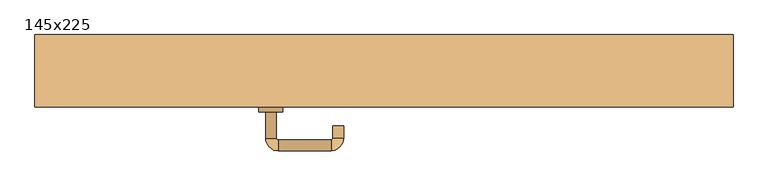
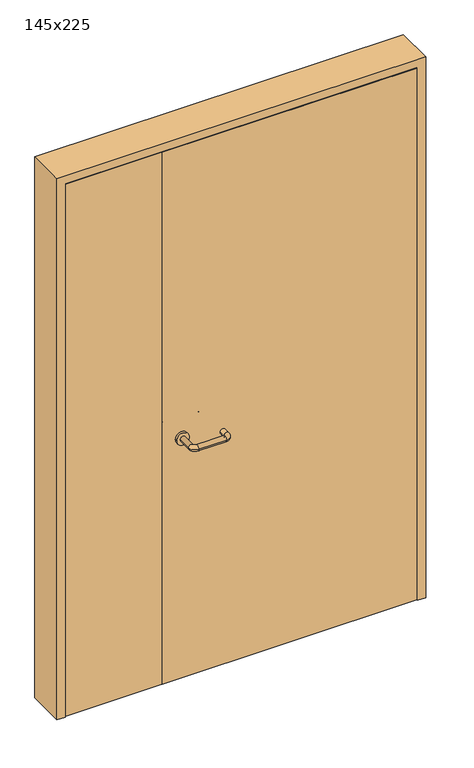
"""IFC4 building model written with IfcOpenShell, lengths in millimetres: door geometry, 145x225."""

from ifc_helpers import new_model, si_unit, point, frame, frame_2d, origin, place, context, project, spatial, polyline, circle_curve, ellipse_curve, trimmed, segment, composite_curve, outline, extrude, faceted_brep, source, transform, mapped, element, save
from ifc_brep_helpers import plane_surface, cylinder_surface, revolved_surface, advanced_brep


def door_145x225_84478bf9(model_context):
    return source(origin(), model_context, "Body", "SolidModel", [
        faceted_brep([(672.0, -50.0, 0.0), (693.0, -50.0, 0.0), (693.0, -153.0, 0.0), (672.0, -153.0, 0.0), (672.0, -153.0, 2197.0), (672.0, -50.0, 2197.0), (693.0, -153.0, 2218.0), (693.0, -50.0, 2218.0), (-672.0, -50.0, 0.0), (-672.0, -153.0, 0.0), (-693.0, -153.0, 0.0), (-693.0, -50.0, 0.0), (-672.0, -50.0, 2197.0), (-693.0, -50.0, 2218.0), (-693.0, -153.0, 2218.0), (-672.0, -153.0, 2197.0)], [[[0, 1, 2, 3]], [[3, 4, 5, 0]], [[2, 6, 4, 3]], [[1, 7, 6, 2]], [[0, 5, 7, 1]], [[8, 9, 10, 11]], [[12, 8, 11, 13]], [[13, 11, 10, 14]], [[14, 10, 9, 15]], [[15, 9, 8, 12]], [[4, 15, 12, 5]], [[6, 14, 15, 4]], [[7, 13, 14, 6]], [[5, 12, 13, 7]]]),
        extrude(outline(polyline([(2250.0, -725.0), (0.0, -725.0), (0.0, -693.0), (2218.0, -693.0), (2218.0, 693.0), (0.0, 693.0), (0.0, 725.0), (2250.0, 725.0), (2250.0, -725.0)])), frame((0.0, -200.0, 0.0), z_axis=(0.0, 1.0, 0.0), x_axis=(0.0, 0.0, 1.0)), (0.0, 0.0, 1.0), 150.0),
        advanced_brep(
        [(-246.0, -145.8874183, 1003.0), (-224.0, -145.8874183, 1003.0), (-246.0, -91.0031939, 1003.0), (-224.0, -91.0031939, 1003.0), (-220.0, -65.0031939, 1003.0), (-220.0, -87.0031939, 1003.0), (-110.0, -65.0031939, 1003.0), (-110.0, -87.0031939, 1003.0), (-84.0, -91.0031939, 1003.0), (-106.0, -91.0031939, 1003.0), (-84.0, -125.0, 1003.0), (-106.0, -125.0, 1003.0)],
        [
            (0, 1, circle_curve(frame((-235.0, -145.8874183, 1003.0), z_axis=(0.0, -1.0, 0.0), x_axis=(1.0, 0.0, 0.0)), 11.0)),
            (1, 0, circle_curve(frame((-235.0, -145.8874183, 1003.0), z_axis=(0.0, -1.0, 0.0), x_axis=(1.0, 0.0, 0.0)), 11.0)),
            (0, 2),
            (2, 3, circle_curve(frame((-235.0, -91.0031939, 1003.0), z_axis=(0.0, -1.0, 0.0), x_axis=(1.0, 0.0, 0.0)), 11.0)),
            (3, 1),
            (4, 5, circle_curve(frame((-220.0, -76.0031939, 1003.0), z_axis=(-1.0, 0.0, 0.0), x_axis=(0.0, -1.0, 0.0)), 11.0)),
            (5, 3, circle_curve(frame((-220.0, -91.0031939, 1003.0), z_axis=(0.0, 0.0, 1.0), x_axis=(-1.0, 0.0, 0.0)), 4.0)),
            (2, 4, circle_curve(frame((-220.0, -91.0031939, 1003.0), z_axis=(0.0, 0.0, -1.0), x_axis=(-1.0, 0.0, 0.0)), 26.0)),
            (4, 6),
            (6, 7, circle_curve(frame((-110.0, -76.0031939, 1003.0), z_axis=(-1.0, 0.0, 0.0), x_axis=(0.0, -1.0, 0.0)), 11.0)),
            (7, 5),
            (8, 9, circle_curve(frame((-95.0, -91.0031939, 1003.0), z_axis=(0.0, 1.0, 0.0), x_axis=(-1.0, 0.0, 0.0)), 11.0)),
            (9, 7, circle_curve(frame((-110.0, -91.0031939, 1003.0), z_axis=(0.0, 0.0, 1.0), x_axis=(0.0, 1.0, 0.0)), 4.0)),
            (6, 8, circle_curve(frame((-110.0, -91.0031939, 1003.0), z_axis=(0.0, 0.0, -1.0), x_axis=(0.0, 1.0, 0.0)), 26.0)),
            (8, 10),
            (10, 11, circle_curve(frame((-95.0, -125.0, 1003.0), z_axis=(0.0, 1.0, 0.0), x_axis=(-1.0, 0.0, 0.0)), 11.0)),
            (11, 9),
            (10, 11, circle_curve(frame((-95.0, -125.0, 1003.0), z_axis=(0.0, -1.0, 0.0), x_axis=(-1.0, 0.0, 0.0)), 11.0)),
            (3, 2, circle_curve(frame((-235.0, -91.0031939, 1003.0), z_axis=(0.0, -1.0, 0.0), x_axis=(1.0, 0.0, 0.0)), 11.0)),
            (5, 4, circle_curve(frame((-220.0, -76.0031939, 1003.0), z_axis=(-1.0, 0.0, 0.0), x_axis=(0.0, -1.0, 0.0)), 11.0)),
            (7, 6, circle_curve(frame((-110.0, -76.0031939, 1003.0), z_axis=(-1.0, 0.0, 0.0), x_axis=(0.0, -1.0, 0.0)), 11.0)),
            (9, 8, circle_curve(frame((-95.0, -91.0031939, 1003.0), z_axis=(0.0, 1.0, 0.0), x_axis=(-1.0, 0.0, 0.0)), 11.0)),
        ],
        [
            plane_surface(frame((-246.0, -145.8874183, 1003.0), z_axis=(0.0, -1.0, 0.0), x_axis=(0.0, 0.0, -1.0))),
            cylinder_surface(frame((-235.0, -145.8874183, 1003.0), z_axis=(0.0, -1.0, 0.0), x_axis=(1.0, 0.0, 0.0)), 11.0),
            revolved_surface(trimmed(ellipse_curve(frame((-235.0, -91.0031939, 1003.0), z_axis=(0.0, 1.0, 0.0), x_axis=(1.0, 0.0, 0.0)), 11.0, 11.0), [point((-224.0, -91.0031939, 1003.0))], [point((-246.0, -91.0031939, 1003.0))], True, "CARTESIAN"), (-220.0, -91.0031939, 1003.0), (0.0, 0.0, 1.0)),
            cylinder_surface(frame((-220.0, -76.0031939, 1003.0), z_axis=(-1.0, 0.0, 0.0), x_axis=(0.0, -1.0, 0.0)), 11.0),
            revolved_surface(trimmed(ellipse_curve(frame((-110.0, -76.0031939, 1003.0), z_axis=(1.0, 0.0, 0.0), x_axis=(0.0, -1.0, 0.0)), 11.0, 11.0), [point((-110.0, -87.0031939, 1003.0))], [point((-110.0, -65.0031939, 1003.0))], True, "CARTESIAN"), (-110.0, -91.0031939, 1003.0), (0.0, 0.0, 1.0)),
            cylinder_surface(frame((-95.0, -91.0031939, 1003.0), z_axis=(0.0, 1.0, 0.0), x_axis=(-1.0, 0.0, 0.0)), 11.0),
            plane_surface(frame((-106.0, -125.0, 1003.0), z_axis=(0.0, -1.0, 0.0), x_axis=(0.0, 0.0, 1.0))),
            revolved_surface(trimmed(ellipse_curve(frame((-235.0, -91.0031939, 1003.0), z_axis=(0.0, 1.0, 0.0), x_axis=(1.0, 0.0, 0.0)), 11.0, 11.0), [point((-246.0, -91.0031939, 1003.0))], [point((-224.0, -91.0031939, 1003.0))], True, "CARTESIAN"), (-220.0, -91.0031939, 1003.0), (0.0, 0.0, 1.0)),
            revolved_surface(trimmed(ellipse_curve(frame((-110.0, -76.0031939, 1003.0), z_axis=(1.0, 0.0, 0.0), x_axis=(0.0, -1.0, 0.0)), 11.0, 11.0), [point((-110.0, -65.0031939, 1003.0))], [point((-110.0, -87.0031939, 1003.0))], True, "CARTESIAN"), (-110.0, -91.0031939, 1003.0), (0.0, 0.0, 1.0)),
        ],
        [
            (0, [[1, 2]]),
            (1, [[3, 4, 5, -1]]),
            (2, [[6, 7, -4, 8]]),
            (3, [[9, 10, 11, -6]]),
            (4, [[12, 13, -10, 14]]),
            (5, [[15, 16, 17, -12]]),
            (6, [[18, -16]]),
            (1, [[-5, 19, -3, -2]]),
            (7, [[20, -8, -19, -7]]),
            (3, [[-11, 21, -9, -20]]),
            (8, [[22, -14, -21, -13]]),
            (5, [[-17, -18, -15, -22]]),
        ],
    ),
        extrude(outline(polyline([(-311.99898, -156.0), (-311.99898, -200.0), (-690.0, -200.0), (-690.0, -156.0), (-311.99898, -156.0)])), frame((0.0, 0.0, 3.0), z_axis=(0.0, 0.0, 1.0), x_axis=(1.0, 0.0, 0.0)), (0.0, 0.0, 1.0), 2212.0),
        extrude(outline(polyline([(690.0, -156.0), (690.0, -200.0), (-310.0, -200.0), (-310.0, -156.0), (690.0, -156.0)])), frame((0.0, 0.0, 3.0), z_axis=(0.0, 0.0, 1.0), x_axis=(1.0, 0.0, 0.0)), (0.0, 0.0, 1.0), 2212.0),
        extrude(outline(composite_curve([segment(trimmed(circle_curve(frame_2d((1003.0, -235.0)), 25.0), [point((1003.0, -260.0))], [point((1003.0, -210.0))], False, "CARTESIAN"), True, "CONTINUOUS"), segment(trimmed(circle_curve(frame_2d((1003.0, -235.0)), 25.0), [point((1003.0, -210.0))], [point((1003.0, -260.0))], False, "CARTESIAN"), True, "CONTINUOUS")], self_intersect=False)), frame((0.0, -156.0, 0.0), z_axis=(0.0, 1.0, 0.0), x_axis=(0.0, 0.0, 1.0)), (0.0, 0.0, 1.0), 10.1125817),
        advanced_brep(
        [(-224.0, -210.0, 1003.0), (-246.0, -210.0, 1003.0), (-224.0, -265.0, 1003.0), (-246.0, -265.0, 1003.0), (-220.0, -269.0, 1003.0), (-220.0, -291.0, 1003.0), (-110.0, -269.0, 1003.0), (-110.0, -291.0, 1003.0), (-106.0, -265.0, 1003.0), (-84.0, -265.0, 1003.0), (-106.0, -240.0, 1003.0), (-84.0, -240.0, 1003.0)],
        [
            (0, 1, circle_curve(frame((-235.0, -210.0, 1003.0), z_axis=(0.0, 1.0, 0.0), x_axis=(-1.0, 0.0, 0.0)), 11.0)),
            (1, 0, circle_curve(frame((-235.0, -210.0, 1003.0), z_axis=(0.0, 1.0, 0.0), x_axis=(-1.0, 0.0, 0.0)), 11.0)),
            (0, 2),
            (2, 3, circle_curve(frame((-235.0, -265.0, 1003.0), z_axis=(0.0, 1.0, 0.0), x_axis=(-1.0, 0.0, 0.0)), 11.0)),
            (3, 1),
            (4, 5, circle_curve(frame((-220.0, -280.0, 1003.0), z_axis=(-1.0, 0.0, 0.0), x_axis=(0.0, -1.0, 0.0)), 11.0)),
            (5, 3, circle_curve(frame((-220.0, -265.0, 1003.0), z_axis=(0.0, 0.0, -1.0), x_axis=(-1.0, 0.0, 0.0)), 26.0)),
            (2, 4, circle_curve(frame((-220.0, -265.0, 1003.0), z_axis=(0.0, 0.0, 1.0), x_axis=(-1.0, 0.0, 0.0)), 4.0)),
            (4, 6),
            (6, 7, circle_curve(frame((-110.0, -280.0, 1003.0), z_axis=(-1.0, 0.0, 0.0), x_axis=(0.0, -1.0, 0.0)), 11.0)),
            (7, 5),
            (8, 9, circle_curve(frame((-95.0, -265.0, 1003.0), z_axis=(0.0, -1.0, 0.0), x_axis=(1.0, 0.0, 0.0)), 11.0)),
            (9, 7, circle_curve(frame((-110.0, -265.0, 1003.0), z_axis=(0.0, 0.0, -1.0), x_axis=(0.0, -1.0, 0.0)), 26.0)),
            (6, 8, circle_curve(frame((-110.0, -265.0, 1003.0), z_axis=(0.0, 0.0, 1.0), x_axis=(0.0, -1.0, 0.0)), 4.0)),
            (8, 10),
            (10, 11, circle_curve(frame((-95.0, -240.0, 1003.0), z_axis=(0.0, -1.0, 0.0), x_axis=(1.0, 0.0, 0.0)), 11.0)),
            (11, 9),
            (10, 11, circle_curve(frame((-95.0, -240.0, 1003.0), z_axis=(0.0, 1.0, 0.0), x_axis=(1.0, 0.0, 0.0)), 11.0)),
            (3, 2, circle_curve(frame((-235.0, -265.0, 1003.0), z_axis=(0.0, 1.0, 0.0), x_axis=(-1.0, 0.0, 0.0)), 11.0)),
            (5, 4, circle_curve(frame((-220.0, -280.0, 1003.0), z_axis=(-1.0, 0.0, 0.0), x_axis=(0.0, -1.0, 0.0)), 11.0)),
            (7, 6, circle_curve(frame((-110.0, -280.0, 1003.0), z_axis=(-1.0, 0.0, 0.0), x_axis=(0.0, -1.0, 0.0)), 11.0)),
            (9, 8, circle_curve(frame((-95.0, -265.0, 1003.0), z_axis=(0.0, -1.0, 0.0), x_axis=(1.0, 0.0, 0.0)), 11.0)),
        ],
        [
            plane_surface(frame((-246.0, -210.0, 1003.0), z_axis=(0.0, 1.0, 0.0), x_axis=(0.0, 0.0, 1.0))),
            cylinder_surface(frame((-235.0, -210.0, 1003.0), z_axis=(0.0, 1.0, 0.0), x_axis=(-1.0, 0.0, 0.0)), 11.0),
            revolved_surface(trimmed(ellipse_curve(frame((-235.0, -265.0, 1003.0), z_axis=(0.0, -1.0, 0.0), x_axis=(-1.0, 0.0, 0.0)), 11.0, 11.0), [point((-246.0, -265.0, 1003.0))], [point((-224.0, -265.0, 1003.0))], True, "CARTESIAN"), (-220.0, -265.0, 1003.0), (0.0, 0.0, -1.0)),
            cylinder_surface(frame((-220.0, -280.0, 1003.0), z_axis=(-1.0, 0.0, 0.0), x_axis=(0.0, -1.0, 0.0)), 11.0),
            revolved_surface(trimmed(ellipse_curve(frame((-110.0, -280.0, 1003.0), z_axis=(1.0, 0.0, 0.0), x_axis=(0.0, -1.0, 0.0)), 11.0, 11.0), [point((-110.0, -291.0, 1003.0))], [point((-110.0, -269.0, 1003.0))], True, "CARTESIAN"), (-110.0, -265.0, 1003.0), (0.0, 0.0, -1.0)),
            cylinder_surface(frame((-95.0, -265.0, 1003.0), z_axis=(0.0, -1.0, 0.0), x_axis=(1.0, 0.0, 0.0)), 11.0),
            plane_surface(frame((-106.0, -240.0, 1003.0), z_axis=(0.0, 1.0, 0.0), x_axis=(0.0, 0.0, -1.0))),
            revolved_surface(trimmed(ellipse_curve(frame((-235.0, -265.0, 1003.0), z_axis=(0.0, -1.0, 0.0), x_axis=(-1.0, 0.0, 0.0)), 11.0, 11.0), [point((-224.0, -265.0, 1003.0))], [point((-246.0, -265.0, 1003.0))], True, "CARTESIAN"), (-220.0, -265.0, 1003.0), (0.0, 0.0, -1.0)),
            revolved_surface(trimmed(ellipse_curve(frame((-110.0, -280.0, 1003.0), z_axis=(1.0, 0.0, 0.0), x_axis=(0.0, -1.0, 0.0)), 11.0, 11.0), [point((-110.0, -269.0, 1003.0))], [point((-110.0, -291.0, 1003.0))], True, "CARTESIAN"), (-110.0, -265.0, 1003.0), (0.0, 0.0, -1.0)),
        ],
        [
            (0, [[1, 2]]),
            (1, [[3, 4, 5, -1]]),
            (2, [[6, 7, -4, 8]]),
            (3, [[9, 10, 11, -6]]),
            (4, [[12, 13, -10, 14]]),
            (5, [[15, 16, 17, -12]]),
            (6, [[18, -16]]),
            (1, [[-5, 19, -3, -2]]),
            (7, [[20, -8, -19, -7]]),
            (3, [[-11, 21, -9, -20]]),
            (8, [[22, -14, -21, -13]]),
            (5, [[-17, -18, -15, -22]]),
        ],
    ),
        extrude(outline(composite_curve([segment(trimmed(circle_curve(frame_2d((1003.0, -235.0)), 25.0), [point((1003.0, -210.0))], [point((1003.0, -260.0))], False, "CARTESIAN"), True, "CONTINUOUS"), segment(trimmed(circle_curve(frame_2d((1003.0, -235.0)), 25.0), [point((1003.0, -260.0))], [point((1003.0, -210.0))], False, "CARTESIAN"), True, "CONTINUOUS")], self_intersect=False)), frame((0.0, -210.0, 0.0), z_axis=(0.0, 1.0, 0.0), x_axis=(0.0, 0.0, 1.0)), (0.0, 0.0, 1.0), 10.0),
    ])


if __name__ == "__main__":
    model = new_model("IFC4")
    model_context = context("Model", 3, world=origin())
    ifc_project = project(units=[si_unit("LENGTHUNIT", "METRE", prefix="MILLI")], contexts=[model_context])
    site = spatial("IfcSite", under=ifc_project)
    building = spatial("IfcBuilding", under=site)
    placement = place(None, origin())
    door_145x225_shape = door_145x225_84478bf9(model_context)
    element("IfcDoor", 1, ObjectType="145x225", at=placement, inside=building, context=model_context, shape_type="MappedRepresentation", body=[
        mapped(door_145x225_shape, transform((0.0, 0.0, 0.0), x_axis=(1.0, 0.0, 0.0), y_axis=(0.0, 1.0, 0.0), z_axis=(0.0, 0.0, 1.0))),
    ])
    save(model, "model.ifc")
